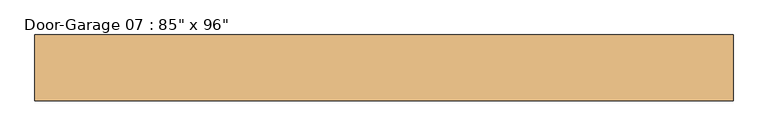
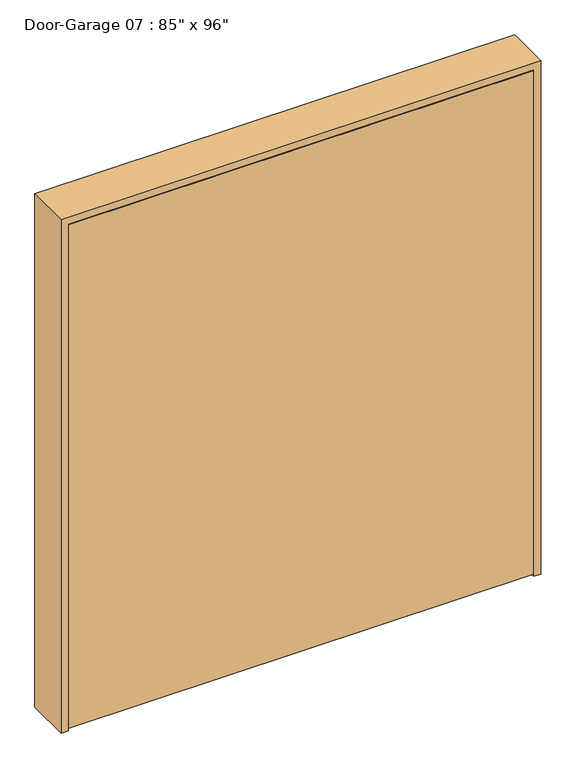
"""IFC4 building model written with IfcOpenShell, lengths in millimetres: door geometry."""

from ifc_helpers import new_model, si_unit, frame, origin, place, context, project, spatial, polyline, outline, extrude, faceted_brep, source, transform, mapped, element, save


def door_5bcd9c5c(model_context):
    return source(origin(), model_context, "Body", "SolidModel", [
        extrude(outline(polyline([(0.0, 1047.6), (0.0, 1079.5), (2438.4, 1079.5), (2438.4, -1079.5), (0.0, -1079.5), (0.0, -1047.6), (2406.5, -1047.6), (2406.5, 1047.6), (0.0, 1047.6)])), frame((0.0, -152.4, 0.0), z_axis=(0.0, 1.0, 0.0), x_axis=(0.0, 0.0, 1.0)), (0.0, 0.0, 1.0), 203.2),
        faceted_brep([(1044.6, -152.4, 10.0), (1044.6, -152.4, 2403.5), (-1044.6, -152.4, 2403.5), (-1044.6, -152.4, 10.0), (1044.6, -114.3, 10.0), (-1044.6, -114.3, 10.0), (-1044.6, -114.3, 2403.5), (1044.6, -114.3, 2403.5), (341.5333333, -114.3, 2277.8675821), (341.5333333, -114.3, 1599.0), (919.6, -114.3, 1599.0), (919.6, -114.3, 2277.8675821), (-271.5333333, -114.3, 2278.5), (-271.5333333, -114.3, 1599.0), (271.5333333, -114.3, 1599.0), (271.5333333, -114.3, 2278.5), (-919.6, -114.3, 2278.5), (-919.6, -114.3, 1599.0), (-341.5333333, -114.3, 1599.0), (-341.5333333, -114.3, 2278.5), (341.5333333, -114.3, 1529.0), (341.5333333, -114.3, 884.5), (919.6, -114.3, 884.5), (919.6, -114.3, 1529.0), (-271.5333333, -114.3, 1529.0), (-271.5333333, -114.3, 884.5), (271.5333333, -114.3, 884.5), (271.5333333, -114.3, 1529.0), (-341.5333333, -114.3, 884.5), (-341.5333333, -114.3, 1529.0), (-919.6, -114.3, 1529.0), (-919.6, -114.3, 884.5), (-341.5333333, -114.3, 135.0), (-341.5333333, -114.3, 814.5), (-919.6, -114.3, 814.5), (-919.6, -114.3, 135.0), (271.5333333, -114.3, 135.0), (271.5333333, -114.3, 814.5), (-271.5333333, -114.3, 814.5), (-271.5333333, -114.3, 135.0), (341.5333333, -114.3, 814.5), (341.5333333, -114.3, 135.0), (919.6, -114.3, 135.0), (919.6, -114.3, 814.5), (371.5333333, -114.3, 1629.0), (371.5333333, -114.3, 2247.8675821), (889.6, -114.3, 2247.8675821), (889.6, -114.3, 1629.0), (-241.5333333, -114.3, 1629.0), (-241.5333333, -114.3, 2248.5), (241.5333333, -114.3, 2248.5), (241.5333333, -114.3, 1629.0), (-889.6, -114.3, 1629.0), (-889.6, -114.3, 2248.5), (-371.5333333, -114.3, 2248.5), (-371.5333333, -114.3, 1629.0), (371.5333333, -114.3, 914.5), (371.5333333, -114.3, 1499.0), (889.6, -114.3, 1499.0), (889.6, -114.3, 914.5), (-241.5333333, -114.3, 914.5), (-241.5333333, -114.3, 1499.0), (241.5333333, -114.3, 1499.0), (241.5333333, -114.3, 914.5), (-371.5333333, -114.3, 1499.0), (-371.5333333, -114.3, 914.5), (-889.6, -114.3, 914.5), (-889.6, -114.3, 1499.0), (-371.5333333, -114.3, 784.5), (-371.5333333, -114.3, 165.0), (-889.6, -114.3, 165.0), (-889.6, -114.3, 784.5), (241.5333333, -114.3, 784.5), (241.5333333, -114.3, 165.0), (-241.5333333, -114.3, 165.0), (-241.5333333, -114.3, 784.5), (371.5333333, -114.3, 165.0), (371.5333333, -114.3, 784.5), (889.6, -114.3, 784.5), (889.6, -114.3, 165.0), (344.5333333, -129.3, 2274.8675821), (344.5333333, -129.3, 1602.0), (369.5333333, -115.3, 2249.8675821), (369.5333333, -115.3, 1627.0), (349.5333333, -129.3, 1607.0), (349.5333333, -129.3, 2269.8675821), (371.5333333, -115.3, 1629.0), (371.5333333, -115.3, 2247.8675821), (916.6, -129.3, 1602.0), (891.6, -115.3, 1627.0), (911.6, -129.3, 1607.0), (889.6, -115.3, 1629.0), (916.6, -129.3, 2274.8675821), (891.6, -115.3, 2249.8675821), (911.6, -129.3, 2269.8675821), (889.6, -115.3, 2247.8675821), (-268.5333333, -129.3, 2275.5), (-268.5333333, -129.3, 1602.0), (-243.5333333, -115.3, 2250.5), (-243.5333333, -115.3, 1627.0), (-263.5333333, -129.3, 1607.0), (-263.5333333, -129.3, 2270.5), (-241.5333333, -115.3, 1629.0), (-241.5333333, -115.3, 2248.5), (268.5333333, -129.3, 1602.0), (243.5333333, -115.3, 1627.0), (263.5333333, -129.3, 1607.0), (241.5333333, -115.3, 1629.0), (268.5333333, -129.3, 2275.5), (243.5333333, -115.3, 2250.5), (263.5333333, -129.3, 2270.5), (241.5333333, -115.3, 2248.5), (-889.6, -115.3, 1629.0), (-889.6, -115.3, 2248.5), (-911.6, -129.3, 1607.0), (-911.6, -129.3, 2270.5), (-891.6, -115.3, 2250.5), (-891.6, -115.3, 1627.0), (-916.6, -129.3, 2275.5), (-916.6, -129.3, 1602.0), (-371.5333333, -115.3, 2248.5), (-349.5333333, -129.3, 2270.5), (-369.5333333, -115.3, 2250.5), (-344.5333333, -129.3, 2275.5), (-371.5333333, -115.3, 1629.0), (-349.5333333, -129.3, 1607.0), (-369.5333333, -115.3, 1627.0), (-344.5333333, -129.3, 1602.0), (371.5333333, -115.3, 914.5), (371.5333333, -115.3, 1499.0), (349.5333333, -129.3, 892.5), (349.5333333, -129.3, 1521.0), (369.5333333, -115.3, 1501.0), (369.5333333, -115.3, 912.5), (344.5333333, -129.3, 1526.0), (344.5333333, -129.3, 887.5), (889.6, -115.3, 1499.0), (911.6, -129.3, 1521.0), (891.6, -115.3, 1501.0), (916.6, -129.3, 1526.0), (889.6, -115.3, 914.5), (911.6, -129.3, 892.5), (891.6, -115.3, 912.5), (916.6, -129.3, 887.5), (-241.5333333, -115.3, 914.5), (-241.5333333, -115.3, 1499.0), (-263.5333333, -129.3, 892.5), (-263.5333333, -129.3, 1521.0), (-243.5333333, -115.3, 1501.0), (-243.5333333, -115.3, 912.5), (-268.5333333, -129.3, 1526.0), (-268.5333333, -129.3, 887.5), (241.5333333, -115.3, 1499.0), (263.5333333, -129.3, 1521.0), (243.5333333, -115.3, 1501.0), (268.5333333, -129.3, 1526.0), (241.5333333, -115.3, 914.5), (263.5333333, -129.3, 892.5), (243.5333333, -115.3, 912.5), (268.5333333, -129.3, 887.5), (-371.5333333, -115.3, 1499.0), (-371.5333333, -115.3, 914.5), (-349.5333333, -129.3, 1521.0), (-349.5333333, -129.3, 892.5), (-369.5333333, -115.3, 912.5), (-369.5333333, -115.3, 1501.0), (-344.5333333, -129.3, 887.5), (-344.5333333, -129.3, 1526.0), (-889.6, -115.3, 914.5), (-911.6, -129.3, 892.5), (-891.6, -115.3, 912.5), (-916.6, -129.3, 887.5), (-889.6, -115.3, 1499.0), (-911.6, -129.3, 1521.0), (-891.6, -115.3, 1501.0), (-916.6, -129.3, 1526.0), (-371.5333333, -115.3, 784.5), (-371.5333333, -115.3, 165.0), (-349.5333333, -129.3, 806.5), (-349.5333333, -129.3, 143.0), (-369.5333333, -115.3, 163.0), (-369.5333333, -115.3, 786.5), (-344.5333333, -129.3, 138.0), (-344.5333333, -129.3, 811.5), (-889.6, -115.3, 165.0), (-911.6, -129.3, 143.0), (-891.6, -115.3, 163.0), (-916.6, -129.3, 138.0), (-889.6, -115.3, 784.5), (-911.6, -129.3, 806.5), (-891.6, -115.3, 786.5), (-916.6, -129.3, 811.5), (241.5333333, -115.3, 784.5), (241.5333333, -115.3, 165.0), (263.5333333, -129.3, 806.5), (263.5333333, -129.3, 143.0), (243.5333333, -115.3, 163.0), (243.5333333, -115.3, 786.5), (268.5333333, -129.3, 138.0), (268.5333333, -129.3, 811.5), (-241.5333333, -115.3, 165.0), (-263.5333333, -129.3, 143.0), (-243.5333333, -115.3, 163.0), (-268.5333333, -129.3, 138.0), (-241.5333333, -115.3, 784.5), (-263.5333333, -129.3, 806.5), (-243.5333333, -115.3, 786.5), (-268.5333333, -129.3, 811.5), (371.5333333, -115.3, 165.0), (371.5333333, -115.3, 784.5), (349.5333333, -129.3, 143.0), (349.5333333, -129.3, 806.5), (369.5333333, -115.3, 786.5), (369.5333333, -115.3, 163.0), (344.5333333, -129.3, 811.5), (344.5333333, -129.3, 138.0), (889.6, -115.3, 784.5), (911.6, -129.3, 806.5), (891.6, -115.3, 786.5), (916.6, -129.3, 811.5), (889.6, -115.3, 165.0), (911.6, -129.3, 143.0), (891.6, -115.3, 163.0), (916.6, -129.3, 138.0)], [[[0, 1, 2, 3]], [[4, 5, 6, 7], [8, 9, 10, 11], [12, 13, 14, 15], [16, 17, 18, 19], [20, 21, 22, 23], [24, 25, 26, 27], [28, 29, 30, 31], [32, 33, 34, 35], [36, 37, 38, 39], [40, 41, 42, 43]], [[44, 45, 46, 47]], [[48, 49, 50, 51]], [[52, 53, 54, 55]], [[56, 57, 58, 59]], [[60, 61, 62, 63]], [[64, 65, 66, 67]], [[68, 69, 70, 71]], [[72, 73, 74, 75]], [[76, 77, 78, 79]], [[1, 0, 4, 7]], [[2, 1, 7, 6]], [[3, 2, 6, 5]], [[0, 3, 5, 4]], [[80, 81, 9, 8]], [[82, 83, 84, 85]], [[44, 86, 87, 45]], [[9, 81, 88, 10]], [[84, 83, 89, 90]], [[86, 44, 47, 91]], [[10, 88, 92, 11]], [[90, 89, 93, 94]], [[91, 47, 46, 95]], [[80, 8, 11, 92]], [[81, 80, 92, 88], [85, 84, 90, 94]], [[82, 85, 94, 93]], [[83, 82, 93, 89], [87, 86, 91, 95]], [[45, 87, 95, 46]], [[96, 97, 13, 12]], [[98, 99, 100, 101]], [[48, 102, 103, 49]], [[13, 97, 104, 14]], [[100, 99, 105, 106]], [[102, 48, 51, 107]], [[14, 104, 108, 15]], [[106, 105, 109, 110]], [[107, 51, 50, 111]], [[96, 12, 15, 108]], [[97, 96, 108, 104], [101, 100, 106, 110]], [[98, 101, 110, 109]], [[99, 98, 109, 105], [103, 102, 107, 111]], [[49, 103, 111, 50]], [[112, 113, 53, 52]], [[114, 115, 116, 117]], [[16, 118, 119, 17]], [[53, 113, 120, 54]], [[116, 115, 121, 122]], [[118, 16, 19, 123]], [[54, 120, 124, 55]], [[122, 121, 125, 126]], [[123, 19, 18, 127]], [[112, 52, 55, 124]], [[117, 116, 122, 126], [113, 112, 124, 120]], [[114, 117, 126, 125]], [[119, 118, 123, 127], [115, 114, 125, 121]], [[17, 119, 127, 18]], [[128, 129, 57, 56]], [[130, 131, 132, 133]], [[20, 134, 135, 21]], [[57, 129, 136, 58]], [[132, 131, 137, 138]], [[134, 20, 23, 139]], [[58, 136, 140, 59]], [[138, 137, 141, 142]], [[139, 23, 22, 143]], [[128, 56, 59, 140]], [[133, 132, 138, 142], [129, 128, 140, 136]], [[130, 133, 142, 141]], [[135, 134, 139, 143], [131, 130, 141, 137]], [[21, 135, 143, 22]], [[144, 145, 61, 60]], [[146, 147, 148, 149]], [[24, 150, 151, 25]], [[61, 145, 152, 62]], [[148, 147, 153, 154]], [[150, 24, 27, 155]], [[62, 152, 156, 63]], [[154, 153, 157, 158]], [[155, 27, 26, 159]], [[144, 60, 63, 156]], [[149, 148, 154, 158], [145, 144, 156, 152]], [[146, 149, 158, 157]], [[151, 150, 155, 159], [147, 146, 157, 153]], [[25, 151, 159, 26]], [[160, 161, 65, 64]], [[162, 163, 164, 165]], [[28, 166, 167, 29]], [[65, 161, 168, 66]], [[164, 163, 169, 170]], [[166, 28, 31, 171]], [[66, 168, 172, 67]], [[170, 169, 173, 174]], [[171, 31, 30, 175]], [[160, 64, 67, 172]], [[165, 164, 170, 174], [161, 160, 172, 168]], [[162, 165, 174, 173]], [[167, 166, 171, 175], [163, 162, 173, 169]], [[29, 167, 175, 30]], [[176, 177, 69, 68]], [[178, 179, 180, 181]], [[32, 182, 183, 33]], [[69, 177, 184, 70]], [[180, 179, 185, 186]], [[182, 32, 35, 187]], [[70, 184, 188, 71]], [[186, 185, 189, 190]], [[187, 35, 34, 191]], [[176, 68, 71, 188]], [[181, 180, 186, 190], [177, 176, 188, 184]], [[178, 181, 190, 189]], [[183, 182, 187, 191], [179, 178, 189, 185]], [[33, 183, 191, 34]], [[192, 193, 73, 72]], [[194, 195, 196, 197]], [[36, 198, 199, 37]], [[73, 193, 200, 74]], [[196, 195, 201, 202]], [[198, 36, 39, 203]], [[74, 200, 204, 75]], [[202, 201, 205, 206]], [[203, 39, 38, 207]], [[192, 72, 75, 204]], [[197, 196, 202, 206], [193, 192, 204, 200]], [[194, 197, 206, 205]], [[199, 198, 203, 207], [195, 194, 205, 201]], [[37, 199, 207, 38]], [[208, 209, 77, 76]], [[210, 211, 212, 213]], [[40, 214, 215, 41]], [[77, 209, 216, 78]], [[212, 211, 217, 218]], [[214, 40, 43, 219]], [[78, 216, 220, 79]], [[218, 217, 221, 222]], [[219, 43, 42, 223]], [[208, 76, 79, 220]], [[213, 212, 218, 222], [209, 208, 220, 216]], [[210, 213, 222, 221]], [[215, 214, 219, 223], [211, 210, 221, 217]], [[41, 215, 223, 42]]]),
    ])


if __name__ == "__main__":
    model = new_model("IFC4")
    model_context = context("Model", 3, world=origin())
    ifc_project = project(units=[si_unit("LENGTHUNIT", "METRE", prefix="MILLI")], contexts=[model_context])
    site = spatial("IfcSite", under=ifc_project)
    building = spatial("IfcBuilding", under=site)
    placement = place(None, origin())
    door_shape = door_5bcd9c5c(model_context)
    element("IfcDoor", 1, ObjectType="Door-Garage 07 : 85\" x 96\"", at=placement, inside=building, context=model_context, shape_type="MappedRepresentation", body=[
        mapped(door_shape, transform((0.0, 0.0, 0.0), x_axis=(1.0, 0.0, 0.0), y_axis=(0.0, 1.0, 0.0), z_axis=(0.0, 0.0, 1.0))),
    ])
    save(model, "model.ifc")
